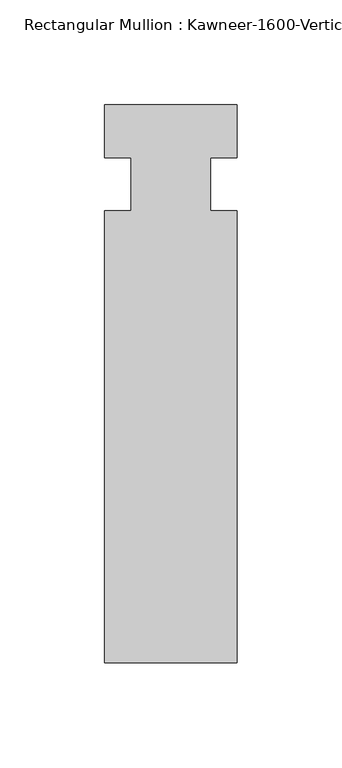
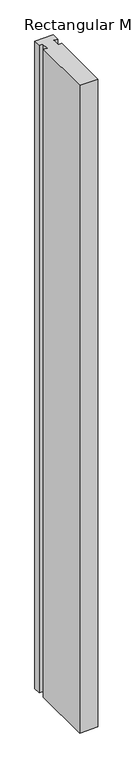
"""IFC4 building model written with IfcOpenShell, lengths in millimetres: member geometry."""

from ifc_helpers import new_model, si_unit, frame, origin, place, context, project, spatial, polyline, outline, extrude, source, transform, mapped, element, save


def member_588362a7(model_context):
    return source(origin(), model_context, "Body", "SweptSolid", [
        extrude(outline(polyline([(31.75, -228.6), (-31.75, -228.6), (-31.75, -12.7), (-19.05, -12.7), (-19.05, 12.7), (-31.75, 12.7), (-31.75, 38.1), (31.75, 38.1), (31.75, 12.7), (19.05, 12.7), (19.05, -12.7), (31.75, -12.7), (31.75, -228.6)])), frame((0.0, 0.0, -2362.2), z_axis=(0.0, 0.0, 1.0), x_axis=(1.0, 0.0, 0.0)), (0.0, 0.0, 1.0), 2362.2),
    ])


if __name__ == "__main__":
    model = new_model("IFC4")
    model_context = context("Model", 3, world=origin())
    ifc_project = project(units=[si_unit("LENGTHUNIT", "METRE", prefix="MILLI")], contexts=[model_context])
    site = spatial("IfcSite", under=ifc_project)
    building = spatial("IfcBuilding", under=site)
    placement = place(None, origin())
    member_shape = member_588362a7(model_context)
    element("IfcMember", 1, ObjectType="Rectangular Mullion : Kawneer-1600-Vertical_Interior-System1-10_1/2\"-1\"Infill", at=placement, inside=building, context=model_context, shape_type="MappedRepresentation", body=[
        mapped(member_shape, transform((0.0, 0.0, 0.0), x_axis=(1.0, 0.0, 0.0), y_axis=(0.0, 1.0, 0.0), z_axis=(0.0, 0.0, 1.0))),
    ])
    save(model, "model.ifc")
